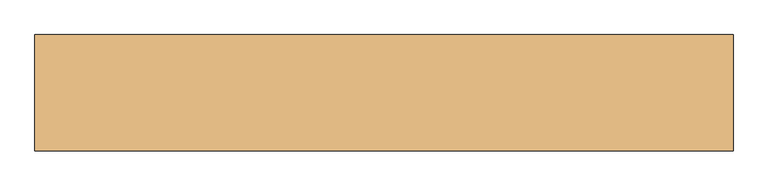
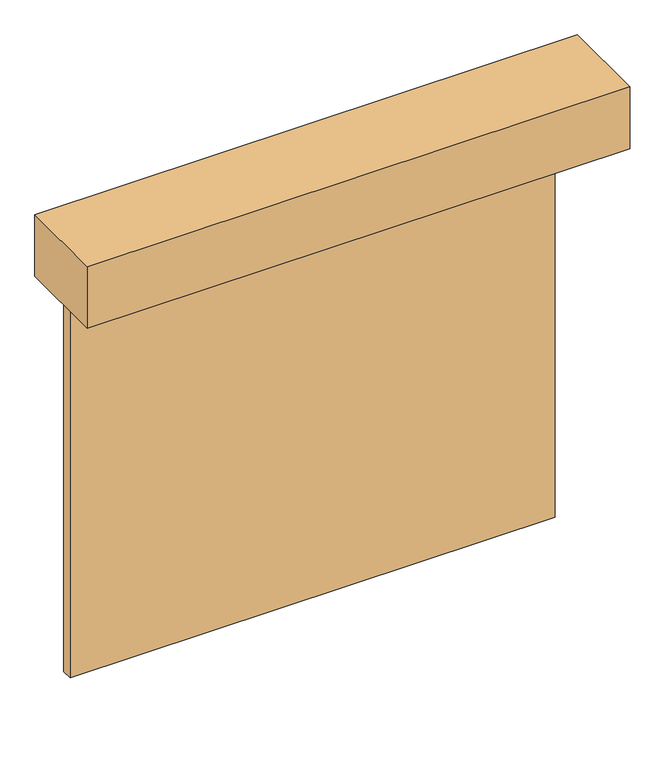
"""IFC4 building model written with IfcOpenShell, lengths in millimetres: door geometry."""

from ifc_helpers import new_model, si_unit, frame, origin, origin_with_axes, place, context, project, spatial, polyline, outline, extrude, source, transform, mapped, element, save


def door_af4750e4(model_context):
    return source(origin(), model_context, "Body", "SweptSolid", [
        extrude(outline(polyline([(1700.0, -60.0), (1700.0, -136.0), (-1700.0, -136.0), (-1700.0, -60.0), (1700.0, -60.0)])), origin_with_axes(), (0.0, 0.0, 1.0), 3000.0),
        extrude(outline(polyline([(1903.2, -694.8), (-1903.2, -694.8), (-1903.2, -60.0), (1903.2, -60.0), (1903.2, -694.8)])), frame((0.0, 0.0, 3000.0), z_axis=(0.0, 0.0, 1.0), x_axis=(1.0, 0.0, 0.0)), (0.0, 0.0, 1.0), 457.2),
    ])


if __name__ == "__main__":
    model = new_model("IFC4")
    model_context = context("Model", 3, world=origin())
    ifc_project = project(units=[si_unit("LENGTHUNIT", "METRE", prefix="MILLI")], contexts=[model_context])
    site = spatial("IfcSite", under=ifc_project)
    building = spatial("IfcBuilding", under=site)
    placement = place(None, origin())
    door_shape = door_af4750e4(model_context)
    element("IfcDoor", 1, at=placement, inside=building, context=model_context, shape_type="MappedRepresentation", body=[
        mapped(door_shape, transform((0.0, 0.0, 0.0), x_axis=(1.0, 0.0, 0.0), y_axis=(0.0, 1.0, 0.0), z_axis=(0.0, 0.0, 1.0))),
    ])
    save(model, "model.ifc")
